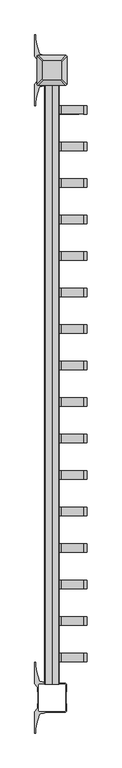
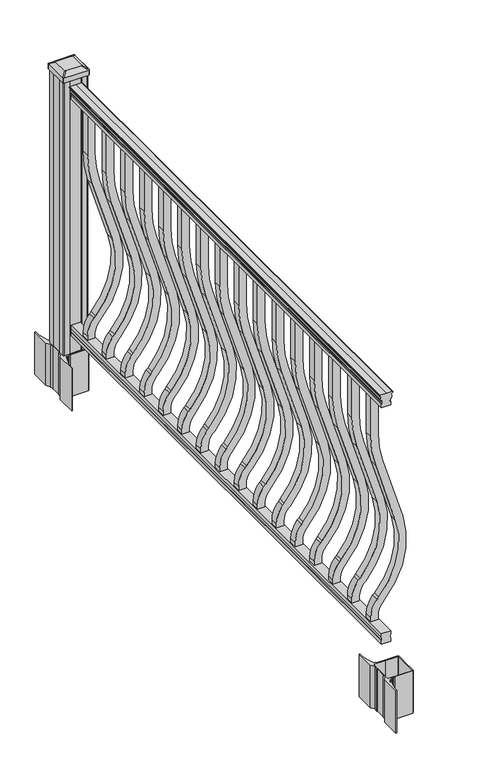
"""IFC4 building model written with IfcOpenShell, lengths in millimetres: railing geometry."""

from ifc_helpers import new_model, si_unit, point, frame, frame_2d, origin, origin_with_axes, place, context, project, spatial, polyline, circle_curve, trimmed, segment, composite_curve, outline, extrude, source, transform, mapped, element, save
from ifc_brep_helpers import plane_surface, extruded_surface, advanced_brep


def railing_7c60bfec(model_context):
    return source(origin(), model_context, "Body", "SolidModel", [
        extrude(outline(composite_curve([segment(polyline([(938.4043297, -269.9529214), (940.292412, -269.9529214)]), True, "CONTINUOUS"), segment(trimmed(circle_curve(frame_2d((946.0506383, -276.2676747)), 8.545951), [point((940.292412, -269.9529214))], [point((941.8546695, -268.8227351))], False, "CARTESIAN"), True, "CONTINUOUS"), segment(trimmed(circle_curve(frame_2d((945.4636577, -275.8306117)), 7.882584), [point((941.8546695, -268.8227351))], [point((949.0726458, -268.8227351))], False, "CARTESIAN"), True, "CONTINUOUS"), segment(trimmed(circle_curve(frame_2d((951.3112527, -265.3172876)), 4.1592695), [point((949.0726458, -268.8227351))], [point((951.5060812, -269.4719915))], True, "CARTESIAN"), True, "CONTINUOUS"), segment(trimmed(circle_curve(frame_2d((951.2508864, -264.0299811)), 5.4479907), [point((951.5060812, -269.4719915))], [point((955.8362083, -266.9719915))], True, "CARTESIAN"), True, "CONTINUOUS"), segment(trimmed(circle_curve(frame_2d((955.833395, -265.2631395)), 1.7088543), [point((955.8362083, -266.9719915))], [point((957.5157972, -265.5626491))], True, "CARTESIAN"), True, "CONTINUOUS"), segment(trimmed(circle_curve(frame_2d((958.6205318, -266.8800396)), 1.7192895), [point((957.5157972, -265.5626491))], [point((958.6205318, -265.1607501))], False, "CARTESIAN"), True, "CONTINUOUS"), segment(polyline([(958.6205318, -265.1607501), (959.9608158, -265.1607502)]), True, "CONTINUOUS"), segment(trimmed(circle_curve(frame_2d((959.9608158, -266.7141974)), 1.5534472), [point((959.9608158, -265.1607502))], [point((961.514263, -266.7141974))], False, "CARTESIAN"), True, "CONTINUOUS"), segment(polyline([(961.514263, -266.7141974), (961.514263, -287.3857502), (961.514263, -308.0573029)]), True, "CONTINUOUS"), segment(trimmed(circle_curve(frame_2d((959.9608158, -308.0573029)), 1.5534472), [point((961.514263, -308.0573029))], [point((959.9608158, -309.6107502))], False, "CARTESIAN"), True, "CONTINUOUS"), segment(polyline([(959.9608158, -309.6107502), (958.6205318, -309.6107502)]), True, "CONTINUOUS"), segment(trimmed(circle_curve(frame_2d((958.6205318, -307.8914607)), 1.7192895), [point((958.6205318, -309.6107502))], [point((957.5157972, -309.2088512))], False, "CARTESIAN"), True, "CONTINUOUS"), segment(trimmed(circle_curve(frame_2d((955.833395, -309.5083608)), 1.7088543), [point((957.5157972, -309.2088512))], [point((955.8362083, -307.7995088))], True, "CARTESIAN"), True, "CONTINUOUS"), segment(trimmed(circle_curve(frame_2d((951.2508864, -310.7415193)), 5.4479907), [point((955.8362083, -307.7995088))], [point((951.5060812, -305.2995088))], True, "CARTESIAN"), True, "CONTINUOUS"), segment(trimmed(circle_curve(frame_2d((951.3112527, -309.4542127)), 4.1592695), [point((951.5060812, -305.2995088))], [point((949.0726458, -305.9487652))], True, "CARTESIAN"), True, "CONTINUOUS"), segment(trimmed(circle_curve(frame_2d((945.4636577, -298.9408886)), 7.882584), [point((949.0726458, -305.9487652))], [point((941.8546695, -305.9487652))], False, "CARTESIAN"), True, "CONTINUOUS"), segment(trimmed(circle_curve(frame_2d((946.0506383, -298.5038256)), 8.545951), [point((941.8546695, -305.9487652))], [point((940.292412, -304.8185789))], False, "CARTESIAN"), True, "CONTINUOUS"), segment(polyline([(940.292412, -304.8185789), (938.4043297, -304.8185789)]), True, "CONTINUOUS"), segment(trimmed(circle_curve(frame_2d((938.4043297, -303.5316645)), 1.2869144), [point((938.4043297, -304.8185789))], [point((938.4043297, -302.2447502))], False, "CARTESIAN"), True, "CONTINUOUS"), segment(polyline([(938.4043297, -302.2447502), (927.9048283, -302.2447502), (926.8888283, -303.2607502), (914.4, -303.2607502), (914.4, -271.5107502), (926.731013, -271.5107502), (927.747013, -272.5267502), (938.4043297, -272.5267502)]), True, "CONTINUOUS"), segment(trimmed(circle_curve(frame_2d((938.4043297, -271.2398358)), 1.2869144), [point((938.4043297, -272.5267502))], [point((938.4043297, -269.9529214))], False, "CARTESIAN"), True, "CONTINUOUS")], self_intersect=False)), frame((0.0, -47892.9191011, 0.0), z_axis=(0.0, 1.0, 0.0), x_axis=(0.0, 0.0, 1.0)), (0.0, 0.0, 1.0), 1828.8),
        extrude(outline(polyline([(76.0541976, -271.4732633), (77.3546183, -272.4892633), (87.7141717, -272.4892633), (89.0624492, -271.4732633), (101.5958781, -271.4732633), (101.5958781, -303.2232633), (89.0458024, -303.2232633), (87.6975248, -302.2072633), (77.3858283, -302.2072633), (76.0375508, -303.2232633), (63.5, -303.2232633), (63.5, -271.4732633), (76.0541976, -271.4732633)])), frame((0.0, -47892.9191011, 0.0), z_axis=(0.0, 1.0, 0.0), x_axis=(0.0, 0.0, 1.0)), (0.0, 0.0, 1.0), 1828.8),
        extrude(outline(composite_curve([segment(polyline([(768.63216, -274.6857502), (914.4, -274.6857502), (914.4, -300.0857502), (768.63216, -300.0857502)]), True, "CONTINUOUS"), segment(trimmed(circle_curve(frame_2d((768.63216, 72.6142498)), 372.7), [point((768.63216, -300.0857502))], [point((659.6652257, -283.8005327))], False, "CARTESIAN"), True, "CONTINUOUS"), segment(polyline([(659.6652257, -283.8005327), (437.8121964, -215.9732549)]), True, "CONTINUOUS"), segment(trimmed(circle_curve(frame_2d((359.6612397, -471.5935161)), 267.3), [point((437.8121964, -215.9732549))], [point((181.5522516, -272.2784933))], True, "CARTESIAN"), True, "CONTINUOUS"), segment(polyline([(181.5522516, -272.2784933), (175.3955374, -277.7801666)]), True, "CONTINUOUS"), segment(trimmed(circle_curve(frame_2d((116.9587313, -212.3857502)), 87.7), [point((175.3955374, -277.7801666))], [point((116.9587313, -300.0857502))], False, "CARTESIAN"), True, "CONTINUOUS"), segment(polyline([(116.9587313, -300.0857502), (101.5958781, -300.0857502), (101.5958781, -274.6857502), (116.9587313, -274.6857502)]), True, "CONTINUOUS"), segment(trimmed(circle_curve(frame_2d((116.9587313, -212.3857502)), 62.3), [point((116.9587313, -274.6857502))], [point((158.4708524, -258.8403926))], True, "CARTESIAN"), True, "CONTINUOUS"), segment(polyline([(158.4708524, -258.8403926), (164.6275666, -253.3387193)]), True, "CONTINUOUS"), segment(trimmed(circle_curve(frame_2d((359.6612397, -471.5935161)), 292.7), [point((164.6275666, -253.3387193))], [point((445.2384377, -191.6831141))], False, "CARTESIAN"), True, "CONTINUOUS"), segment(polyline([(445.2384377, -191.6831141), (667.091467, -259.5103919)]), True, "CONTINUOUS"), segment(trimmed(circle_curve(frame_2d((768.63216, 72.6142498)), 347.3), [point((667.091467, -259.5103919))], [point((768.63216, -274.6857502))], True, "CARTESIAN"), True, "CONTINUOUS")], self_intersect=False)), frame((0.0, -46155.8131011, 0.0), z_axis=(0.0, 1.0, 0.0), x_axis=(0.0, 0.0, 1.0)), (0.0, 0.0, 1.0), 25.4),
        extrude(outline(composite_curve([segment(polyline([(768.63216, -274.6857502), (914.4, -274.6857502), (914.4, -300.0857502), (768.63216, -300.0857502)]), True, "CONTINUOUS"), segment(trimmed(circle_curve(frame_2d((768.63216, 72.6142498)), 372.7), [point((768.63216, -300.0857502))], [point((659.6652257, -283.8005327))], False, "CARTESIAN"), True, "CONTINUOUS"), segment(polyline([(659.6652257, -283.8005327), (437.8121964, -215.9732549)]), True, "CONTINUOUS"), segment(trimmed(circle_curve(frame_2d((359.6612397, -471.5935161)), 267.3), [point((437.8121964, -215.9732549))], [point((181.5522516, -272.2784933))], True, "CARTESIAN"), True, "CONTINUOUS"), segment(polyline([(181.5522516, -272.2784933), (175.3955374, -277.7801666)]), True, "CONTINUOUS"), segment(trimmed(circle_curve(frame_2d((116.9587313, -212.3857502)), 87.7), [point((175.3955374, -277.7801666))], [point((116.9587313, -300.0857502))], False, "CARTESIAN"), True, "CONTINUOUS"), segment(polyline([(116.9587313, -300.0857502), (101.5958781, -300.0857502), (101.5958781, -274.6857502), (116.9587313, -274.6857502)]), True, "CONTINUOUS"), segment(trimmed(circle_curve(frame_2d((116.9587313, -212.3857502)), 62.3), [point((116.9587313, -274.6857502))], [point((158.4708524, -258.8403926))], True, "CARTESIAN"), True, "CONTINUOUS"), segment(polyline([(158.4708524, -258.8403926), (164.6275666, -253.3387193)]), True, "CONTINUOUS"), segment(trimmed(circle_curve(frame_2d((359.6612397, -471.5935161)), 292.7), [point((164.6275666, -253.3387193))], [point((445.2384377, -191.6831141))], False, "CARTESIAN"), True, "CONTINUOUS"), segment(polyline([(445.2384377, -191.6831141), (667.091467, -259.5103919)]), True, "CONTINUOUS"), segment(trimmed(circle_curve(frame_2d((768.63216, 72.6142498)), 347.3), [point((667.091467, -259.5103919))], [point((768.63216, -274.6857502))], True, "CARTESIAN"), True, "CONTINUOUS")], self_intersect=False)), frame((0.0, -46267.0651011, 0.0), z_axis=(0.0, 1.0, 0.0), x_axis=(0.0, 0.0, 1.0)), (0.0, 0.0, 1.0), 25.4),
        extrude(outline(composite_curve([segment(polyline([(768.63216, -274.6857502), (914.4, -274.6857502), (914.4, -300.0857502), (768.63216, -300.0857502)]), True, "CONTINUOUS"), segment(trimmed(circle_curve(frame_2d((768.63216, 72.6142498)), 372.7), [point((768.63216, -300.0857502))], [point((659.6652257, -283.8005327))], False, "CARTESIAN"), True, "CONTINUOUS"), segment(polyline([(659.6652257, -283.8005327), (437.8121964, -215.9732549)]), True, "CONTINUOUS"), segment(trimmed(circle_curve(frame_2d((359.6612397, -471.5935161)), 267.3), [point((437.8121964, -215.9732549))], [point((181.5522516, -272.2784933))], True, "CARTESIAN"), True, "CONTINUOUS"), segment(polyline([(181.5522516, -272.2784933), (175.3955374, -277.7801666)]), True, "CONTINUOUS"), segment(trimmed(circle_curve(frame_2d((116.9587313, -212.3857502)), 87.7), [point((175.3955374, -277.7801666))], [point((116.9587313, -300.0857502))], False, "CARTESIAN"), True, "CONTINUOUS"), segment(polyline([(116.9587313, -300.0857502), (101.5958781, -300.0857502), (101.5958781, -274.6857502), (116.9587313, -274.6857502)]), True, "CONTINUOUS"), segment(trimmed(circle_curve(frame_2d((116.9587313, -212.3857502)), 62.3), [point((116.9587313, -274.6857502))], [point((158.4708524, -258.8403926))], True, "CARTESIAN"), True, "CONTINUOUS"), segment(polyline([(158.4708524, -258.8403926), (164.6275666, -253.3387193)]), True, "CONTINUOUS"), segment(trimmed(circle_curve(frame_2d((359.6612397, -471.5935161)), 292.7), [point((164.6275666, -253.3387193))], [point((445.2384377, -191.6831141))], False, "CARTESIAN"), True, "CONTINUOUS"), segment(polyline([(445.2384377, -191.6831141), (667.091467, -259.5103919)]), True, "CONTINUOUS"), segment(trimmed(circle_curve(frame_2d((768.63216, 72.6142498)), 347.3), [point((667.091467, -259.5103919))], [point((768.63216, -274.6857502))], True, "CARTESIAN"), True, "CONTINUOUS")], self_intersect=False)), frame((0.0, -46378.3171011, 0.0), z_axis=(0.0, 1.0, 0.0), x_axis=(0.0, 0.0, 1.0)), (0.0, 0.0, 1.0), 25.4),
        extrude(outline(composite_curve([segment(polyline([(768.63216, -274.6857502), (914.4, -274.6857502), (914.4, -300.0857502), (768.63216, -300.0857502)]), True, "CONTINUOUS"), segment(trimmed(circle_curve(frame_2d((768.63216, 72.6142498)), 372.7), [point((768.63216, -300.0857502))], [point((659.6652257, -283.8005327))], False, "CARTESIAN"), True, "CONTINUOUS"), segment(polyline([(659.6652257, -283.8005327), (437.8121964, -215.9732549)]), True, "CONTINUOUS"), segment(trimmed(circle_curve(frame_2d((359.6612397, -471.5935161)), 267.3), [point((437.8121964, -215.9732549))], [point((181.5522516, -272.2784933))], True, "CARTESIAN"), True, "CONTINUOUS"), segment(polyline([(181.5522516, -272.2784933), (175.3955374, -277.7801666)]), True, "CONTINUOUS"), segment(trimmed(circle_curve(frame_2d((116.9587313, -212.3857502)), 87.7), [point((175.3955374, -277.7801666))], [point((116.9587313, -300.0857502))], False, "CARTESIAN"), True, "CONTINUOUS"), segment(polyline([(116.9587313, -300.0857502), (101.5958781, -300.0857502), (101.5958781, -274.6857502), (116.9587313, -274.6857502)]), True, "CONTINUOUS"), segment(trimmed(circle_curve(frame_2d((116.9587313, -212.3857502)), 62.3), [point((116.9587313, -274.6857502))], [point((158.4708524, -258.8403926))], True, "CARTESIAN"), True, "CONTINUOUS"), segment(polyline([(158.4708524, -258.8403926), (164.6275666, -253.3387193)]), True, "CONTINUOUS"), segment(trimmed(circle_curve(frame_2d((359.6612397, -471.5935161)), 292.7), [point((164.6275666, -253.3387193))], [point((445.2384377, -191.6831141))], False, "CARTESIAN"), True, "CONTINUOUS"), segment(polyline([(445.2384377, -191.6831141), (667.091467, -259.5103919)]), True, "CONTINUOUS"), segment(trimmed(circle_curve(frame_2d((768.63216, 72.6142498)), 347.3), [point((667.091467, -259.5103919))], [point((768.63216, -274.6857502))], True, "CARTESIAN"), True, "CONTINUOUS")], self_intersect=False)), frame((0.0, -46489.5691011, 0.0), z_axis=(0.0, 1.0, 0.0), x_axis=(0.0, 0.0, 1.0)), (0.0, 0.0, 1.0), 25.4),
        extrude(outline(composite_curve([segment(polyline([(768.63216, -274.6857502), (914.4, -274.6857502), (914.4, -300.0857502), (768.63216, -300.0857502)]), True, "CONTINUOUS"), segment(trimmed(circle_curve(frame_2d((768.63216, 72.6142498)), 372.7), [point((768.63216, -300.0857502))], [point((659.6652257, -283.8005327))], False, "CARTESIAN"), True, "CONTINUOUS"), segment(polyline([(659.6652257, -283.8005327), (437.8121964, -215.9732549)]), True, "CONTINUOUS"), segment(trimmed(circle_curve(frame_2d((359.6612397, -471.5935161)), 267.3), [point((437.8121964, -215.9732549))], [point((181.5522516, -272.2784933))], True, "CARTESIAN"), True, "CONTINUOUS"), segment(polyline([(181.5522516, -272.2784933), (175.3955374, -277.7801666)]), True, "CONTINUOUS"), segment(trimmed(circle_curve(frame_2d((116.9587313, -212.3857502)), 87.7), [point((175.3955374, -277.7801666))], [point((116.9587313, -300.0857502))], False, "CARTESIAN"), True, "CONTINUOUS"), segment(polyline([(116.9587313, -300.0857502), (101.5958781, -300.0857502), (101.5958781, -274.6857502), (116.9587313, -274.6857502)]), True, "CONTINUOUS"), segment(trimmed(circle_curve(frame_2d((116.9587313, -212.3857502)), 62.3), [point((116.9587313, -274.6857502))], [point((158.4708524, -258.8403926))], True, "CARTESIAN"), True, "CONTINUOUS"), segment(polyline([(158.4708524, -258.8403926), (164.6275666, -253.3387193)]), True, "CONTINUOUS"), segment(trimmed(circle_curve(frame_2d((359.6612397, -471.5935161)), 292.7), [point((164.6275666, -253.3387193))], [point((445.2384377, -191.6831141))], False, "CARTESIAN"), True, "CONTINUOUS"), segment(polyline([(445.2384377, -191.6831141), (667.091467, -259.5103919)]), True, "CONTINUOUS"), segment(trimmed(circle_curve(frame_2d((768.63216, 72.6142498)), 347.3), [point((667.091467, -259.5103919))], [point((768.63216, -274.6857502))], True, "CARTESIAN"), True, "CONTINUOUS")], self_intersect=False)), frame((0.0, -46600.8211011, 0.0), z_axis=(0.0, 1.0, 0.0), x_axis=(0.0, 0.0, 1.0)), (0.0, 0.0, 1.0), 25.4),
        extrude(outline(composite_curve([segment(polyline([(768.63216, -274.6857502), (914.4, -274.6857502), (914.4, -300.0857502), (768.63216, -300.0857502)]), True, "CONTINUOUS"), segment(trimmed(circle_curve(frame_2d((768.63216, 72.6142498)), 372.7), [point((768.63216, -300.0857502))], [point((659.6652257, -283.8005327))], False, "CARTESIAN"), True, "CONTINUOUS"), segment(polyline([(659.6652257, -283.8005327), (437.8121964, -215.9732549)]), True, "CONTINUOUS"), segment(trimmed(circle_curve(frame_2d((359.6612397, -471.5935161)), 267.3), [point((437.8121964, -215.9732549))], [point((181.5522516, -272.2784933))], True, "CARTESIAN"), True, "CONTINUOUS"), segment(polyline([(181.5522516, -272.2784933), (175.3955374, -277.7801666)]), True, "CONTINUOUS"), segment(trimmed(circle_curve(frame_2d((116.9587313, -212.3857502)), 87.7), [point((175.3955374, -277.7801666))], [point((116.9587313, -300.0857502))], False, "CARTESIAN"), True, "CONTINUOUS"), segment(polyline([(116.9587313, -300.0857502), (101.5958781, -300.0857502), (101.5958781, -274.6857502), (116.9587313, -274.6857502)]), True, "CONTINUOUS"), segment(trimmed(circle_curve(frame_2d((116.9587313, -212.3857502)), 62.3), [point((116.9587313, -274.6857502))], [point((158.4708524, -258.8403926))], True, "CARTESIAN"), True, "CONTINUOUS"), segment(polyline([(158.4708524, -258.8403926), (164.6275666, -253.3387193)]), True, "CONTINUOUS"), segment(trimmed(circle_curve(frame_2d((359.6612397, -471.5935161)), 292.7), [point((164.6275666, -253.3387193))], [point((445.2384377, -191.6831141))], False, "CARTESIAN"), True, "CONTINUOUS"), segment(polyline([(445.2384377, -191.6831141), (667.091467, -259.5103919)]), True, "CONTINUOUS"), segment(trimmed(circle_curve(frame_2d((768.63216, 72.6142498)), 347.3), [point((667.091467, -259.5103919))], [point((768.63216, -274.6857502))], True, "CARTESIAN"), True, "CONTINUOUS")], self_intersect=False)), frame((0.0, -46712.0731011, 0.0), z_axis=(0.0, 1.0, 0.0), x_axis=(0.0, 0.0, 1.0)), (0.0, 0.0, 1.0), 25.4),
        extrude(outline(composite_curve([segment(polyline([(768.63216, -274.6857502), (914.4, -274.6857502), (914.4, -300.0857502), (768.63216, -300.0857502)]), True, "CONTINUOUS"), segment(trimmed(circle_curve(frame_2d((768.63216, 72.6142498)), 372.7), [point((768.63216, -300.0857502))], [point((659.6652257, -283.8005327))], False, "CARTESIAN"), True, "CONTINUOUS"), segment(polyline([(659.6652257, -283.8005327), (437.8121964, -215.9732549)]), True, "CONTINUOUS"), segment(trimmed(circle_curve(frame_2d((359.6612397, -471.5935161)), 267.3), [point((437.8121964, -215.9732549))], [point((181.5522516, -272.2784933))], True, "CARTESIAN"), True, "CONTINUOUS"), segment(polyline([(181.5522516, -272.2784933), (175.3955374, -277.7801666)]), True, "CONTINUOUS"), segment(trimmed(circle_curve(frame_2d((116.9587313, -212.3857502)), 87.7), [point((175.3955374, -277.7801666))], [point((116.9587313, -300.0857502))], False, "CARTESIAN"), True, "CONTINUOUS"), segment(polyline([(116.9587313, -300.0857502), (101.5958781, -300.0857502), (101.5958781, -274.6857502), (116.9587313, -274.6857502)]), True, "CONTINUOUS"), segment(trimmed(circle_curve(frame_2d((116.9587313, -212.3857502)), 62.3), [point((116.9587313, -274.6857502))], [point((158.4708524, -258.8403926))], True, "CARTESIAN"), True, "CONTINUOUS"), segment(polyline([(158.4708524, -258.8403926), (164.6275666, -253.3387193)]), True, "CONTINUOUS"), segment(trimmed(circle_curve(frame_2d((359.6612397, -471.5935161)), 292.7), [point((164.6275666, -253.3387193))], [point((445.2384377, -191.6831141))], False, "CARTESIAN"), True, "CONTINUOUS"), segment(polyline([(445.2384377, -191.6831141), (667.091467, -259.5103919)]), True, "CONTINUOUS"), segment(trimmed(circle_curve(frame_2d((768.63216, 72.6142498)), 347.3), [point((667.091467, -259.5103919))], [point((768.63216, -274.6857502))], True, "CARTESIAN"), True, "CONTINUOUS")], self_intersect=False)), frame((0.0, -46823.3251011, 0.0), z_axis=(0.0, 1.0, 0.0), x_axis=(0.0, 0.0, 1.0)), (0.0, 0.0, 1.0), 25.4),
        extrude(outline(composite_curve([segment(polyline([(768.63216, -274.6857502), (914.4, -274.6857502), (914.4, -300.0857502), (768.63216, -300.0857502)]), True, "CONTINUOUS"), segment(trimmed(circle_curve(frame_2d((768.63216, 72.6142498)), 372.7), [point((768.63216, -300.0857502))], [point((659.6652257, -283.8005327))], False, "CARTESIAN"), True, "CONTINUOUS"), segment(polyline([(659.6652257, -283.8005327), (437.8121964, -215.9732549)]), True, "CONTINUOUS"), segment(trimmed(circle_curve(frame_2d((359.6612397, -471.5935161)), 267.3), [point((437.8121964, -215.9732549))], [point((181.5522516, -272.2784933))], True, "CARTESIAN"), True, "CONTINUOUS"), segment(polyline([(181.5522516, -272.2784933), (175.3955374, -277.7801666)]), True, "CONTINUOUS"), segment(trimmed(circle_curve(frame_2d((116.9587313, -212.3857502)), 87.7), [point((175.3955374, -277.7801666))], [point((116.9587313, -300.0857502))], False, "CARTESIAN"), True, "CONTINUOUS"), segment(polyline([(116.9587313, -300.0857502), (101.5958781, -300.0857502), (101.5958781, -274.6857502), (116.9587313, -274.6857502)]), True, "CONTINUOUS"), segment(trimmed(circle_curve(frame_2d((116.9587313, -212.3857502)), 62.3), [point((116.9587313, -274.6857502))], [point((158.4708524, -258.8403926))], True, "CARTESIAN"), True, "CONTINUOUS"), segment(polyline([(158.4708524, -258.8403926), (164.6275666, -253.3387193)]), True, "CONTINUOUS"), segment(trimmed(circle_curve(frame_2d((359.6612397, -471.5935161)), 292.7), [point((164.6275666, -253.3387193))], [point((445.2384377, -191.6831141))], False, "CARTESIAN"), True, "CONTINUOUS"), segment(polyline([(445.2384377, -191.6831141), (667.091467, -259.5103919)]), True, "CONTINUOUS"), segment(trimmed(circle_curve(frame_2d((768.63216, 72.6142498)), 347.3), [point((667.091467, -259.5103919))], [point((768.63216, -274.6857502))], True, "CARTESIAN"), True, "CONTINUOUS")], self_intersect=False)), frame((0.0, -46934.5771011, 0.0), z_axis=(0.0, 1.0, 0.0), x_axis=(0.0, 0.0, 1.0)), (0.0, 0.0, 1.0), 25.4),
        extrude(outline(composite_curve([segment(polyline([(768.63216, -274.6857502), (914.4, -274.6857502), (914.4, -300.0857502), (768.63216, -300.0857502)]), True, "CONTINUOUS"), segment(trimmed(circle_curve(frame_2d((768.63216, 72.6142498)), 372.7), [point((768.63216, -300.0857502))], [point((659.6652257, -283.8005327))], False, "CARTESIAN"), True, "CONTINUOUS"), segment(polyline([(659.6652257, -283.8005327), (437.8121964, -215.9732549)]), True, "CONTINUOUS"), segment(trimmed(circle_curve(frame_2d((359.6612397, -471.5935161)), 267.3), [point((437.8121964, -215.9732549))], [point((181.5522516, -272.2784933))], True, "CARTESIAN"), True, "CONTINUOUS"), segment(polyline([(181.5522516, -272.2784933), (175.3955374, -277.7801666)]), True, "CONTINUOUS"), segment(trimmed(circle_curve(frame_2d((116.9587313, -212.3857502)), 87.7), [point((175.3955374, -277.7801666))], [point((116.9587313, -300.0857502))], False, "CARTESIAN"), True, "CONTINUOUS"), segment(polyline([(116.9587313, -300.0857502), (101.5958781, -300.0857502), (101.5958781, -274.6857502), (116.9587313, -274.6857502)]), True, "CONTINUOUS"), segment(trimmed(circle_curve(frame_2d((116.9587313, -212.3857502)), 62.3), [point((116.9587313, -274.6857502))], [point((158.4708524, -258.8403926))], True, "CARTESIAN"), True, "CONTINUOUS"), segment(polyline([(158.4708524, -258.8403926), (164.6275666, -253.3387193)]), True, "CONTINUOUS"), segment(trimmed(circle_curve(frame_2d((359.6612397, -471.5935161)), 292.7), [point((164.6275666, -253.3387193))], [point((445.2384377, -191.6831141))], False, "CARTESIAN"), True, "CONTINUOUS"), segment(polyline([(445.2384377, -191.6831141), (667.091467, -259.5103919)]), True, "CONTINUOUS"), segment(trimmed(circle_curve(frame_2d((768.63216, 72.6142498)), 347.3), [point((667.091467, -259.5103919))], [point((768.63216, -274.6857502))], True, "CARTESIAN"), True, "CONTINUOUS")], self_intersect=False)), frame((0.0, -47045.8291011, 0.0), z_axis=(0.0, 1.0, 0.0), x_axis=(0.0, 0.0, 1.0)), (0.0, 0.0, 1.0), 25.4),
        extrude(outline(composite_curve([segment(polyline([(768.63216, -274.6857502), (914.4, -274.6857502), (914.4, -300.0857502), (768.63216, -300.0857502)]), True, "CONTINUOUS"), segment(trimmed(circle_curve(frame_2d((768.63216, 72.6142498)), 372.7), [point((768.63216, -300.0857502))], [point((659.6652257, -283.8005327))], False, "CARTESIAN"), True, "CONTINUOUS"), segment(polyline([(659.6652257, -283.8005327), (437.8121964, -215.9732549)]), True, "CONTINUOUS"), segment(trimmed(circle_curve(frame_2d((359.6612397, -471.5935161)), 267.3), [point((437.8121964, -215.9732549))], [point((181.5522516, -272.2784933))], True, "CARTESIAN"), True, "CONTINUOUS"), segment(polyline([(181.5522516, -272.2784933), (175.3955374, -277.7801666)]), True, "CONTINUOUS"), segment(trimmed(circle_curve(frame_2d((116.9587313, -212.3857502)), 87.7), [point((175.3955374, -277.7801666))], [point((116.9587313, -300.0857502))], False, "CARTESIAN"), True, "CONTINUOUS"), segment(polyline([(116.9587313, -300.0857502), (101.5958781, -300.0857502), (101.5958781, -274.6857502), (116.9587313, -274.6857502)]), True, "CONTINUOUS"), segment(trimmed(circle_curve(frame_2d((116.9587313, -212.3857502)), 62.3), [point((116.9587313, -274.6857502))], [point((158.4708524, -258.8403926))], True, "CARTESIAN"), True, "CONTINUOUS"), segment(polyline([(158.4708524, -258.8403926), (164.6275666, -253.3387193)]), True, "CONTINUOUS"), segment(trimmed(circle_curve(frame_2d((359.6612397, -471.5935161)), 292.7), [point((164.6275666, -253.3387193))], [point((445.2384377, -191.6831141))], False, "CARTESIAN"), True, "CONTINUOUS"), segment(polyline([(445.2384377, -191.6831141), (667.091467, -259.5103919)]), True, "CONTINUOUS"), segment(trimmed(circle_curve(frame_2d((768.63216, 72.6142498)), 347.3), [point((667.091467, -259.5103919))], [point((768.63216, -274.6857502))], True, "CARTESIAN"), True, "CONTINUOUS")], self_intersect=False)), frame((0.0, -47157.0811011, 0.0), z_axis=(0.0, 1.0, 0.0), x_axis=(0.0, 0.0, 1.0)), (0.0, 0.0, 1.0), 25.4),
        extrude(outline(composite_curve([segment(polyline([(768.63216, -274.6857502), (914.4, -274.6857502), (914.4, -300.0857502), (768.63216, -300.0857502)]), True, "CONTINUOUS"), segment(trimmed(circle_curve(frame_2d((768.63216, 72.6142498)), 372.7), [point((768.63216, -300.0857502))], [point((659.6652257, -283.8005327))], False, "CARTESIAN"), True, "CONTINUOUS"), segment(polyline([(659.6652257, -283.8005327), (437.8121964, -215.9732549)]), True, "CONTINUOUS"), segment(trimmed(circle_curve(frame_2d((359.6612397, -471.5935161)), 267.3), [point((437.8121964, -215.9732549))], [point((181.5522516, -272.2784933))], True, "CARTESIAN"), True, "CONTINUOUS"), segment(polyline([(181.5522516, -272.2784933), (175.3955374, -277.7801666)]), True, "CONTINUOUS"), segment(trimmed(circle_curve(frame_2d((116.9587313, -212.3857502)), 87.7), [point((175.3955374, -277.7801666))], [point((116.9587313, -300.0857502))], False, "CARTESIAN"), True, "CONTINUOUS"), segment(polyline([(116.9587313, -300.0857502), (101.5958781, -300.0857502), (101.5958781, -274.6857502), (116.9587313, -274.6857502)]), True, "CONTINUOUS"), segment(trimmed(circle_curve(frame_2d((116.9587313, -212.3857502)), 62.3), [point((116.9587313, -274.6857502))], [point((158.4708524, -258.8403926))], True, "CARTESIAN"), True, "CONTINUOUS"), segment(polyline([(158.4708524, -258.8403926), (164.6275666, -253.3387193)]), True, "CONTINUOUS"), segment(trimmed(circle_curve(frame_2d((359.6612397, -471.5935161)), 292.7), [point((164.6275666, -253.3387193))], [point((445.2384377, -191.6831141))], False, "CARTESIAN"), True, "CONTINUOUS"), segment(polyline([(445.2384377, -191.6831141), (667.091467, -259.5103919)]), True, "CONTINUOUS"), segment(trimmed(circle_curve(frame_2d((768.63216, 72.6142498)), 347.3), [point((667.091467, -259.5103919))], [point((768.63216, -274.6857502))], True, "CARTESIAN"), True, "CONTINUOUS")], self_intersect=False)), frame((0.0, -47268.3331011, 0.0), z_axis=(0.0, 1.0, 0.0), x_axis=(0.0, 0.0, 1.0)), (0.0, 0.0, 1.0), 25.4),
        extrude(outline(composite_curve([segment(polyline([(768.63216, -274.6857502), (914.4, -274.6857502), (914.4, -300.0857502), (768.63216, -300.0857502)]), True, "CONTINUOUS"), segment(trimmed(circle_curve(frame_2d((768.63216, 72.6142498)), 372.7), [point((768.63216, -300.0857502))], [point((659.6652257, -283.8005327))], False, "CARTESIAN"), True, "CONTINUOUS"), segment(polyline([(659.6652257, -283.8005327), (437.8121964, -215.9732549)]), True, "CONTINUOUS"), segment(trimmed(circle_curve(frame_2d((359.6612397, -471.5935161)), 267.3), [point((437.8121964, -215.9732549))], [point((181.5522516, -272.2784933))], True, "CARTESIAN"), True, "CONTINUOUS"), segment(polyline([(181.5522516, -272.2784933), (175.3955374, -277.7801666)]), True, "CONTINUOUS"), segment(trimmed(circle_curve(frame_2d((116.9587313, -212.3857502)), 87.7), [point((175.3955374, -277.7801666))], [point((116.9587313, -300.0857502))], False, "CARTESIAN"), True, "CONTINUOUS"), segment(polyline([(116.9587313, -300.0857502), (101.5958781, -300.0857502), (101.5958781, -274.6857502), (116.9587313, -274.6857502)]), True, "CONTINUOUS"), segment(trimmed(circle_curve(frame_2d((116.9587313, -212.3857502)), 62.3), [point((116.9587313, -274.6857502))], [point((158.4708524, -258.8403926))], True, "CARTESIAN"), True, "CONTINUOUS"), segment(polyline([(158.4708524, -258.8403926), (164.6275666, -253.3387193)]), True, "CONTINUOUS"), segment(trimmed(circle_curve(frame_2d((359.6612397, -471.5935161)), 292.7), [point((164.6275666, -253.3387193))], [point((445.2384377, -191.6831141))], False, "CARTESIAN"), True, "CONTINUOUS"), segment(polyline([(445.2384377, -191.6831141), (667.091467, -259.5103919)]), True, "CONTINUOUS"), segment(trimmed(circle_curve(frame_2d((768.63216, 72.6142498)), 347.3), [point((667.091467, -259.5103919))], [point((768.63216, -274.6857502))], True, "CARTESIAN"), True, "CONTINUOUS")], self_intersect=False)), frame((0.0, -47379.5851011, 0.0), z_axis=(0.0, 1.0, 0.0), x_axis=(0.0, 0.0, 1.0)), (0.0, 0.0, 1.0), 25.4),
        extrude(outline(composite_curve([segment(polyline([(768.63216, -274.6857502), (914.4, -274.6857502), (914.4, -300.0857502), (768.63216, -300.0857502)]), True, "CONTINUOUS"), segment(trimmed(circle_curve(frame_2d((768.63216, 72.6142498)), 372.7), [point((768.63216, -300.0857502))], [point((659.6652257, -283.8005327))], False, "CARTESIAN"), True, "CONTINUOUS"), segment(polyline([(659.6652257, -283.8005327), (437.8121964, -215.9732549)]), True, "CONTINUOUS"), segment(trimmed(circle_curve(frame_2d((359.6612397, -471.5935161)), 267.3), [point((437.8121964, -215.9732549))], [point((181.5522516, -272.2784933))], True, "CARTESIAN"), True, "CONTINUOUS"), segment(polyline([(181.5522516, -272.2784933), (175.3955374, -277.7801666)]), True, "CONTINUOUS"), segment(trimmed(circle_curve(frame_2d((116.9587313, -212.3857502)), 87.7), [point((175.3955374, -277.7801666))], [point((116.9587313, -300.0857502))], False, "CARTESIAN"), True, "CONTINUOUS"), segment(polyline([(116.9587313, -300.0857502), (101.5958781, -300.0857502), (101.5958781, -274.6857502), (116.9587313, -274.6857502)]), True, "CONTINUOUS"), segment(trimmed(circle_curve(frame_2d((116.9587313, -212.3857502)), 62.3), [point((116.9587313, -274.6857502))], [point((158.4708524, -258.8403926))], True, "CARTESIAN"), True, "CONTINUOUS"), segment(polyline([(158.4708524, -258.8403926), (164.6275666, -253.3387193)]), True, "CONTINUOUS"), segment(trimmed(circle_curve(frame_2d((359.6612397, -471.5935161)), 292.7), [point((164.6275666, -253.3387193))], [point((445.2384377, -191.6831141))], False, "CARTESIAN"), True, "CONTINUOUS"), segment(polyline([(445.2384377, -191.6831141), (667.091467, -259.5103919)]), True, "CONTINUOUS"), segment(trimmed(circle_curve(frame_2d((768.63216, 72.6142498)), 347.3), [point((667.091467, -259.5103919))], [point((768.63216, -274.6857502))], True, "CARTESIAN"), True, "CONTINUOUS")], self_intersect=False)), frame((0.0, -47490.8371011, 0.0), z_axis=(0.0, 1.0, 0.0), x_axis=(0.0, 0.0, 1.0)), (0.0, 0.0, 1.0), 25.4),
        extrude(outline(composite_curve([segment(polyline([(768.63216, -274.6857502), (914.4, -274.6857502), (914.4, -300.0857502), (768.63216, -300.0857502)]), True, "CONTINUOUS"), segment(trimmed(circle_curve(frame_2d((768.63216, 72.6142498)), 372.7), [point((768.63216, -300.0857502))], [point((659.6652257, -283.8005327))], False, "CARTESIAN"), True, "CONTINUOUS"), segment(polyline([(659.6652257, -283.8005327), (437.8121964, -215.9732549)]), True, "CONTINUOUS"), segment(trimmed(circle_curve(frame_2d((359.6612397, -471.5935161)), 267.3), [point((437.8121964, -215.9732549))], [point((181.5522516, -272.2784933))], True, "CARTESIAN"), True, "CONTINUOUS"), segment(polyline([(181.5522516, -272.2784933), (175.3955374, -277.7801666)]), True, "CONTINUOUS"), segment(trimmed(circle_curve(frame_2d((116.9587313, -212.3857502)), 87.7), [point((175.3955374, -277.7801666))], [point((116.9587313, -300.0857502))], False, "CARTESIAN"), True, "CONTINUOUS"), segment(polyline([(116.9587313, -300.0857502), (101.5958781, -300.0857502), (101.5958781, -274.6857502), (116.9587313, -274.6857502)]), True, "CONTINUOUS"), segment(trimmed(circle_curve(frame_2d((116.9587313, -212.3857502)), 62.3), [point((116.9587313, -274.6857502))], [point((158.4708524, -258.8403926))], True, "CARTESIAN"), True, "CONTINUOUS"), segment(polyline([(158.4708524, -258.8403926), (164.6275666, -253.3387193)]), True, "CONTINUOUS"), segment(trimmed(circle_curve(frame_2d((359.6612397, -471.5935161)), 292.7), [point((164.6275666, -253.3387193))], [point((445.2384377, -191.6831141))], False, "CARTESIAN"), True, "CONTINUOUS"), segment(polyline([(445.2384377, -191.6831141), (667.091467, -259.5103919)]), True, "CONTINUOUS"), segment(trimmed(circle_curve(frame_2d((768.63216, 72.6142498)), 347.3), [point((667.091467, -259.5103919))], [point((768.63216, -274.6857502))], True, "CARTESIAN"), True, "CONTINUOUS")], self_intersect=False)), frame((0.0, -47602.0891011, 0.0), z_axis=(0.0, 1.0, 0.0), x_axis=(0.0, 0.0, 1.0)), (0.0, 0.0, 1.0), 25.4),
        extrude(outline(composite_curve([segment(polyline([(768.63216, -274.6857502), (914.4, -274.6857502), (914.4, -300.0857502), (768.63216, -300.0857502)]), True, "CONTINUOUS"), segment(trimmed(circle_curve(frame_2d((768.63216, 72.6142498)), 372.7), [point((768.63216, -300.0857502))], [point((659.6652257, -283.8005327))], False, "CARTESIAN"), True, "CONTINUOUS"), segment(polyline([(659.6652257, -283.8005327), (437.8121964, -215.9732549)]), True, "CONTINUOUS"), segment(trimmed(circle_curve(frame_2d((359.6612397, -471.5935161)), 267.3), [point((437.8121964, -215.9732549))], [point((181.5522516, -272.2784933))], True, "CARTESIAN"), True, "CONTINUOUS"), segment(polyline([(181.5522516, -272.2784933), (175.3955374, -277.7801666)]), True, "CONTINUOUS"), segment(trimmed(circle_curve(frame_2d((116.9587313, -212.3857502)), 87.7), [point((175.3955374, -277.7801666))], [point((116.9587313, -300.0857502))], False, "CARTESIAN"), True, "CONTINUOUS"), segment(polyline([(116.9587313, -300.0857502), (101.5958781, -300.0857502), (101.5958781, -274.6857502), (116.9587313, -274.6857502)]), True, "CONTINUOUS"), segment(trimmed(circle_curve(frame_2d((116.9587313, -212.3857502)), 62.3), [point((116.9587313, -274.6857502))], [point((158.4708524, -258.8403926))], True, "CARTESIAN"), True, "CONTINUOUS"), segment(polyline([(158.4708524, -258.8403926), (164.6275666, -253.3387193)]), True, "CONTINUOUS"), segment(trimmed(circle_curve(frame_2d((359.6612397, -471.5935161)), 292.7), [point((164.6275666, -253.3387193))], [point((445.2384377, -191.6831141))], False, "CARTESIAN"), True, "CONTINUOUS"), segment(polyline([(445.2384377, -191.6831141), (667.091467, -259.5103919)]), True, "CONTINUOUS"), segment(trimmed(circle_curve(frame_2d((768.63216, 72.6142498)), 347.3), [point((667.091467, -259.5103919))], [point((768.63216, -274.6857502))], True, "CARTESIAN"), True, "CONTINUOUS")], self_intersect=False)), frame((0.0, -47713.3411011, 0.0), z_axis=(0.0, 1.0, 0.0), x_axis=(0.0, 0.0, 1.0)), (0.0, 0.0, 1.0), 25.4),
        extrude(outline(composite_curve([segment(polyline([(768.63216, -274.6857502), (914.4, -274.6857502), (914.4, -300.0857502), (768.63216, -300.0857502)]), True, "CONTINUOUS"), segment(trimmed(circle_curve(frame_2d((768.63216, 72.6142498)), 372.7), [point((768.63216, -300.0857502))], [point((659.6652257, -283.8005327))], False, "CARTESIAN"), True, "CONTINUOUS"), segment(polyline([(659.6652257, -283.8005327), (437.8121964, -215.9732549)]), True, "CONTINUOUS"), segment(trimmed(circle_curve(frame_2d((359.6612397, -471.5935161)), 267.3), [point((437.8121964, -215.9732549))], [point((181.5522516, -272.2784933))], True, "CARTESIAN"), True, "CONTINUOUS"), segment(polyline([(181.5522516, -272.2784933), (175.3955374, -277.7801666)]), True, "CONTINUOUS"), segment(trimmed(circle_curve(frame_2d((116.9587313, -212.3857502)), 87.7), [point((175.3955374, -277.7801666))], [point((116.9587313, -300.0857502))], False, "CARTESIAN"), True, "CONTINUOUS"), segment(polyline([(116.9587313, -300.0857502), (101.5958781, -300.0857502), (101.5958781, -274.6857502), (116.9587313, -274.6857502)]), True, "CONTINUOUS"), segment(trimmed(circle_curve(frame_2d((116.9587313, -212.3857502)), 62.3), [point((116.9587313, -274.6857502))], [point((158.4708524, -258.8403926))], True, "CARTESIAN"), True, "CONTINUOUS"), segment(polyline([(158.4708524, -258.8403926), (164.6275666, -253.3387193)]), True, "CONTINUOUS"), segment(trimmed(circle_curve(frame_2d((359.6612397, -471.5935161)), 292.7), [point((164.6275666, -253.3387193))], [point((445.2384377, -191.6831141))], False, "CARTESIAN"), True, "CONTINUOUS"), segment(polyline([(445.2384377, -191.6831141), (667.091467, -259.5103919)]), True, "CONTINUOUS"), segment(trimmed(circle_curve(frame_2d((768.63216, 72.6142498)), 347.3), [point((667.091467, -259.5103919))], [point((768.63216, -274.6857502))], True, "CARTESIAN"), True, "CONTINUOUS")], self_intersect=False)), frame((0.0, -47824.5931011, 0.0), z_axis=(0.0, 1.0, 0.0), x_axis=(0.0, 0.0, 1.0)), (0.0, 0.0, 1.0), 25.4),
        extrude(outline(composite_curve([segment(polyline([(-244.6502502, -46040.103196), (-243.0627502, -46040.865196), (-243.0627502, -46063.6671241), (-246.4357272, -46067.0401011), (-307.895398, -46067.0401011), (-307.895398, -46067.9608511), (-313.2129419, -46067.9608511), (-313.2129419, -46069.4151058), (-318.2974716, -46069.4151058), (-318.2974716, -46070.6991297), (-319.9647439, -46070.6991297)]), True, "CONTINUOUS"), segment(trimmed(circle_curve(frame_2d((-319.9647439, -46077.7585895)), 7.0594599), [point((-319.9647439, -46070.6991297))], [point((-326.7320067, -46075.7485828))], True, "CARTESIAN"), True, "CONTINUOUS"), segment(polyline([(-326.7320067, -46075.7485828), (-334.606201, -46102.2593119)]), True, "CONTINUOUS"), segment(trimmed(circle_curve(frame_2d((-279.8216877, -46118.5313616)), 57.15), [point((-334.606201, -46102.2593119))], [point((-336.9716877, -46118.5313616))], True, "CARTESIAN"), True, "CONTINUOUS"), segment(polyline([(-336.9716877, -46118.5313616), (-336.9716877, -46130.5401011), (-339.9716877, -46130.5401011), (-339.9716877, -46065.4526011), (-331.7087502, -46054.1143098), (-331.7087502, -46040.865196), (-330.1212502, -46040.103196), (-330.1212502, -46005.3310063), (-331.7087502, -46004.5690063), (-331.7087502, -45991.3198925), (-339.9716877, -45979.9816011), (-339.9716877, -45914.8941011), (-336.9716877, -45914.8941011), (-336.9716877, -45926.9028407)]), True, "CONTINUOUS"), segment(trimmed(circle_curve(frame_2d((-279.8216877, -45926.9028407)), 57.15), [point((-336.9716877, -45926.9028407))], [point((-334.606201, -45943.1748904))], True, "CARTESIAN"), True, "CONTINUOUS"), segment(polyline([(-334.606201, -45943.1748904), (-326.7320067, -45969.6856194)]), True, "CONTINUOUS"), segment(trimmed(circle_curve(frame_2d((-319.9647439, -45967.6756128)), 7.0594599), [point((-326.7320067, -45969.6856194))], [point((-319.9647439, -45974.7350726))], True, "CARTESIAN"), True, "CONTINUOUS"), segment(polyline([(-319.9647439, -45974.7350726), (-318.2974716, -45974.7350726), (-318.2974716, -45976.0190965), (-313.2129419, -45976.0190965), (-313.2129419, -45977.4733511), (-307.895398, -45977.4733511), (-307.895398, -45978.3941011), (-246.4357272, -45978.3941011), (-243.0627502, -45981.7670782), (-243.0627502, -46004.5690063), (-244.6502502, -46005.3310063), (-244.6502502, -46040.103196)]), True, "CONTINUOUS")], self_intersect=False), holes=[polyline([(-328.6607502, -45983.0296011), (-328.6607502, -46062.4046011), (-327.0732502, -46063.9921011), (-290.1489675, -46063.9921011), (-247.6982502, -46063.9921011), (-246.1107502, -46062.4046011), (-246.1107502, -45983.0296011), (-247.6982502, -45981.4421011), (-290.1489675, -45981.4421011), (-327.0732502, -45981.4421011), (-328.6607502, -45983.0296011)])]), frame((0.0, 0.0, -152.4), z_axis=(0.0, 0.0, 1.0), x_axis=(1.0, 0.0, 0.0)), (0.0, 0.0, 1.0), 152.4),
        advanced_brep(
        [(-313.1826252, -46051.6889761, 1012.825), (-261.5888752, -46051.6889761, 1012.825), (-258.4138752, -46048.5139761, 1012.825), (-258.4138752, -45996.9202261, 1012.825), (-261.5888752, -45993.7452261, 1012.825), (-313.1826252, -45993.7452261, 1012.825), (-316.3576252, -45996.9202261, 1012.825), (-316.3576252, -46048.5139761, 1012.825), (-329.4545002, -46067.9608511, 1001.522), (-332.6295002, -46064.7858511, 1001.522), (-332.6295002, -45980.6483511, 1001.522), (-329.4545002, -45977.4733511, 1001.522), (-245.3170002, -45977.4733511, 1001.522), (-242.1420002, -45980.6483511, 1001.522), (-242.1420002, -46064.7858511, 1001.522), (-245.3170002, -46067.9608511, 1001.522)],
        [
            (0, 1),
            (1, 2, circle_curve(frame((-261.5888752, -46048.5139761, 1012.825), z_axis=(0.0, 0.0, 1.0), x_axis=(0.0, 1.0, 0.0)), 3.175)),
            (2, 3),
            (3, 4, circle_curve(frame((-261.5888752, -45996.9202261, 1012.825), z_axis=(0.0, 0.0, 1.0), x_axis=(0.0, 1.0, 0.0)), 3.175)),
            (4, 5),
            (5, 6, circle_curve(frame((-313.1826252, -45996.9202261, 1012.825), z_axis=(0.0, 0.0, 1.0), x_axis=(0.0, 1.0, 0.0)), 3.175)),
            (6, 7),
            (7, 0, circle_curve(frame((-313.1826252, -46048.5139761, 1012.825), z_axis=(0.0, 0.0, 1.0), x_axis=(0.0, 1.0, 0.0)), 3.175)),
            (8, 9, circle_curve(frame((-329.4545002, -46064.7858511, 1001.522), z_axis=(0.0, 0.0, -1.0), x_axis=(0.0, 1.0, 0.0)), 3.175)),
            (9, 10),
            (10, 11, circle_curve(frame((-329.4545002, -45980.6483511, 1001.522), z_axis=(0.0, 0.0, -1.0), x_axis=(0.0, 1.0, 0.0)), 3.175)),
            (11, 12),
            (12, 13, circle_curve(frame((-245.3170002, -45980.6483511, 1001.522), z_axis=(0.0, 0.0, -1.0), x_axis=(0.0, 1.0, 0.0)), 3.175)),
            (13, 14),
            (14, 15, circle_curve(frame((-245.3170002, -46064.7858511, 1001.522), z_axis=(0.0, 0.0, -1.0), x_axis=(0.0, 1.0, 0.0)), 3.175)),
            (15, 8),
            (8, 0),
            (7, 9),
            (6, 10),
            (5, 11),
            (4, 12),
            (3, 13),
            (2, 14),
            (1, 15),
        ],
        [
            plane_surface(frame((-287.3857502, -46022.7171011, 1012.825), z_axis=(0.0, 0.0, 1.0), x_axis=(-1.0, 0.0, 0.0))),
            plane_surface(frame((-287.3857502, -46022.7171011, 1001.522), z_axis=(0.0, 0.0, -1.0), x_axis=(-1.0, 0.0, 0.0))),
            extruded_surface(trimmed(circle_curve(frame((-313.1826252, -46048.5139761, 1012.825), z_axis=(0.0, 0.0, -1.0), x_axis=(0.0, 1.0, 0.0)), 3.175), [point((-313.1826252, -46051.6889761, 1012.825))], [point((-316.3576252, -46048.5139761, 1012.825))], True, "CARTESIAN"), (-16.271874999999966, -16.271874999998545, -11.302999999999997), 25.637972638865218),
            plane_surface(frame((-332.6295002, -46022.7171011, 1001.522), z_axis=(-0.5705009161540779, 0.0, 0.8212969649690408), x_axis=(0.0, 1.0, 0.0))),
            extruded_surface(trimmed(circle_curve(frame((-313.1826252, -45996.9202261, 1012.825), z_axis=(0.0, 0.0, -1.0), x_axis=(0.0, 1.0, 0.0)), 3.175), [point((-316.3576252, -45996.9202261, 1012.825))], [point((-313.1826252, -45993.7452261, 1012.825))], True, "CARTESIAN"), (-16.271874999999966, 16.27187500000582, -11.302999999999997), 25.637972638869837),
            plane_surface(frame((-287.3857502, -45977.4733511, 1001.522), z_axis=(0.0, 0.5705009161540291, 0.8212969649690747), x_axis=(1.0, 0.0, 0.0))),
            extruded_surface(trimmed(circle_curve(frame((-261.5888752, -45996.9202261, 1012.825), z_axis=(0.0, 0.0, -1.0), x_axis=(0.0, 1.0, 0.0)), 3.175), [point((-261.5888752, -45993.7452261, 1012.825))], [point((-258.4138752, -45996.9202261, 1012.825))], True, "CARTESIAN"), (16.271875000000023, 16.27187500000582, -11.302999999999997), 25.637972638869872),
            plane_surface(frame((-242.1420002, -46022.7171011, 1001.522), z_axis=(0.5705009161540141, 0.0, 0.8212969649690851), x_axis=(0.0, -1.0, 0.0))),
            extruded_surface(trimmed(circle_curve(frame((-261.5888752, -46048.5139761, 1012.825), z_axis=(0.0, 0.0, -1.0), x_axis=(0.0, 1.0, 0.0)), 3.175), [point((-258.4138752, -46048.5139761, 1012.825))], [point((-261.5888752, -46051.6889761, 1012.825))], True, "CARTESIAN"), (16.271875000000023, -16.271874999998545, -11.302999999999997), 25.637972638865254),
            plane_surface(frame((-287.3857502, -46067.9608511, 1001.522), z_axis=(0.0, -0.570500916154034, 0.8212969649690713), x_axis=(-1.0, 0.0, 0.0))),
        ],
        [
            (0, [[1, 2, 3, 4, 5, 6, 7, 8]]),
            (1, [[9, 10, 11, 12, 13, 14, 15, 16]]),
            (2, [[17, -8, 18, -9]]),
            (3, [[-18, -7, 19, -10]]),
            (4, [[-19, -6, 20, -11]]),
            (5, [[-20, -5, 21, -12]]),
            (6, [[-21, -4, 22, -13]]),
            (7, [[-22, -3, 23, -14]]),
            (8, [[-23, -2, 24, -15]]),
            (9, [[-24, -1, -17, -16]]),
        ],
    ),
        extrude(outline(composite_curve([segment(trimmed(circle_curve(frame_2d((-329.4545002, -46064.7858511)), 3.175), [point((-329.4545002, -46067.9608511))], [point((-332.6295002, -46064.7858511))], False, "CARTESIAN"), True, "CONTINUOUS"), segment(polyline([(-332.6295002, -46064.7858511), (-332.6295002, -45980.6483511)]), True, "CONTINUOUS"), segment(trimmed(circle_curve(frame_2d((-329.4545002, -45980.6483511)), 3.175), [point((-332.6295002, -45980.6483511))], [point((-329.4545002, -45977.4733511))], False, "CARTESIAN"), True, "CONTINUOUS"), segment(polyline([(-329.4545002, -45977.4733511), (-245.3170002, -45977.4733511)]), True, "CONTINUOUS"), segment(trimmed(circle_curve(frame_2d((-245.3170002, -45980.6483511)), 3.175), [point((-245.3170002, -45977.4733511))], [point((-242.1420002, -45980.6483511))], False, "CARTESIAN"), True, "CONTINUOUS"), segment(polyline([(-242.1420002, -45980.6483511), (-242.1420002, -46064.7858511)]), True, "CONTINUOUS"), segment(trimmed(circle_curve(frame_2d((-245.3170002, -46064.7858511)), 3.175), [point((-242.1420002, -46064.7858511))], [point((-245.3170002, -46067.9608511))], False, "CARTESIAN"), True, "CONTINUOUS"), segment(polyline([(-245.3170002, -46067.9608511), (-329.4545002, -46067.9608511)]), True, "CONTINUOUS")], self_intersect=False)), frame((0.0, 0.0, 984.25), z_axis=(0.0, 0.0, 1.0), x_axis=(1.0, 0.0, 0.0)), (0.0, 0.0, 1.0), 17.272),
        extrude(outline(polyline([(-327.0732502, -46063.9921011), (-328.6607502, -46062.4046011), (-328.6607502, -46042.7831011), (-327.0732502, -46042.0211011), (-327.0732502, -46003.4131011), (-328.6607502, -46002.6511011), (-328.6607502, -45983.0296011), (-327.0732502, -45981.4421011), (-307.4517502, -45981.4421011), (-306.6897502, -45983.0296011), (-268.0817502, -45983.0296011), (-267.3197502, -45981.4421011), (-247.6982502, -45981.4421011), (-246.1107502, -45983.0296011), (-246.1107502, -46002.6511011), (-247.6982502, -46003.4131011), (-247.6982502, -46042.0211011), (-246.1107502, -46042.7831011), (-246.1107502, -46062.4046011), (-247.6982502, -46063.9921011), (-267.3197502, -46063.9921011), (-268.0817502, -46062.4046011), (-306.6897502, -46062.4046011), (-307.4517502, -46063.9921011), (-327.0732502, -46063.9921011)])), origin_with_axes(), (0.0, 0.0, 1.0), 984.25),
        extrude(outline(composite_curve([segment(polyline([(-244.6502502, -47951.707196), (-243.0627502, -47952.469196), (-243.0627502, -47975.2711241), (-246.4357272, -47978.6441011), (-307.895398, -47978.6441011), (-307.895398, -47979.5648511), (-313.2129419, -47979.5648511), (-313.2129419, -47981.0191058), (-318.2974716, -47981.0191058), (-318.2974716, -47982.3031297), (-319.9647439, -47982.3031297)]), True, "CONTINUOUS"), segment(trimmed(circle_curve(frame_2d((-319.9647439, -47989.3625895)), 7.0594599), [point((-319.9647439, -47982.3031297))], [point((-326.7320067, -47987.3525828))], True, "CARTESIAN"), True, "CONTINUOUS"), segment(polyline([(-326.7320067, -47987.3525828), (-334.606201, -48013.8633119)]), True, "CONTINUOUS"), segment(trimmed(circle_curve(frame_2d((-279.8216877, -48030.1353616)), 57.15), [point((-334.606201, -48013.8633119))], [point((-336.9716877, -48030.1353616))], True, "CARTESIAN"), True, "CONTINUOUS"), segment(polyline([(-336.9716877, -48030.1353616), (-336.9716877, -48042.1441011), (-339.9716877, -48042.1441011), (-339.9716877, -47977.0566011), (-331.7087502, -47965.7183098), (-331.7087502, -47952.469196), (-330.1212502, -47951.707196), (-330.1212502, -47916.9350063), (-331.7087502, -47916.1730063), (-331.7087502, -47902.9238925), (-339.9716877, -47891.5856011), (-339.9716877, -47826.4981011), (-336.9716877, -47826.4981011), (-336.9716877, -47838.5068407)]), True, "CONTINUOUS"), segment(trimmed(circle_curve(frame_2d((-279.8216877, -47838.5068407)), 57.15), [point((-336.9716877, -47838.5068407))], [point((-334.606201, -47854.7788904))], True, "CARTESIAN"), True, "CONTINUOUS"), segment(polyline([(-334.606201, -47854.7788904), (-326.7320067, -47881.2896194)]), True, "CONTINUOUS"), segment(trimmed(circle_curve(frame_2d((-319.9647439, -47879.2796128)), 7.0594599), [point((-326.7320067, -47881.2896194))], [point((-319.9647439, -47886.3390726))], True, "CARTESIAN"), True, "CONTINUOUS"), segment(polyline([(-319.9647439, -47886.3390726), (-318.2974716, -47886.3390726), (-318.2974716, -47887.6230965), (-313.2129419, -47887.6230965), (-313.2129419, -47889.0773511), (-307.895398, -47889.0773511), (-307.895398, -47889.9981011), (-246.4357272, -47889.9981011), (-243.0627502, -47893.3710782), (-243.0627502, -47916.1730063), (-244.6502502, -47916.9350063), (-244.6502502, -47951.707196)]), True, "CONTINUOUS")], self_intersect=False), holes=[polyline([(-328.6607502, -47894.6336011), (-328.6607502, -47974.0086011), (-327.0732502, -47975.5961011), (-290.1489675, -47975.5961011), (-247.6982502, -47975.5961011), (-246.1107502, -47974.0086011), (-246.1107502, -47894.6336011), (-247.6982502, -47893.0461011), (-290.1489675, -47893.0461011), (-327.0732502, -47893.0461011), (-328.6607502, -47894.6336011)])]), frame((0.0, 0.0, -152.4), z_axis=(0.0, 0.0, 1.0), x_axis=(1.0, 0.0, 0.0)), (0.0, 0.0, 1.0), 152.4),
    ])


if __name__ == "__main__":
    model = new_model("IFC4")
    model_context = context("Model", 3, world=origin())
    ifc_project = project(units=[si_unit("LENGTHUNIT", "METRE", prefix="MILLI")], contexts=[model_context])
    site = spatial("IfcSite", under=ifc_project)
    building = spatial("IfcBuilding", under=site)
    placement = place(None, origin())
    railing_shape = railing_7c60bfec(model_context)
    element("IfcRailing", 1, at=placement, inside=building, context=model_context, shape_type="MappedRepresentation", body=[
        mapped(railing_shape, transform((0.0, 0.0, 0.0), x_axis=(1.0, 0.0, 0.0), y_axis=(0.0, 1.0, 0.0), z_axis=(0.0, 0.0, 1.0))),
    ])
    save(model, "model.ifc")
